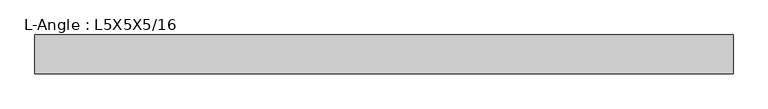
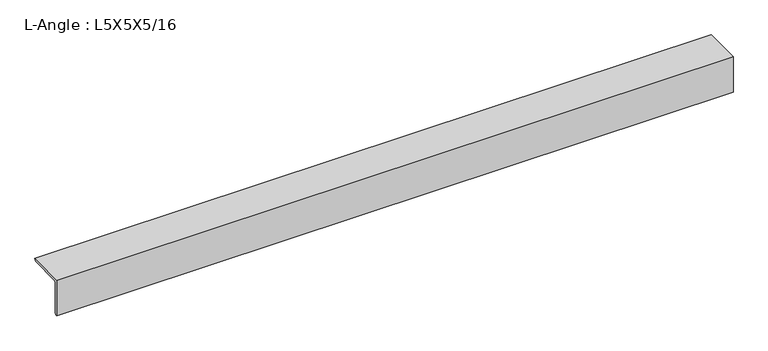
"""IFC4 building model written with IfcOpenShell, lengths in millimetres: beam geometry, L-Angle : L5X5X5/16."""

from ifc_helpers import new_model, si_unit, point, frame, frame_2d, origin, place, context, project, spatial, polyline, circle_curve, trimmed, segment, composite_curve, outline, extrude, source, transform, mapped, element, save


def l_angle_l5x5x5_16_1f5bd21b(model_context):
    return source(origin(), model_context, "Body", "SweptSolid", [
        extrude(outline(composite_curve([segment(polyline([(-34.3296875, 34.3296875), (92.6703125, 34.3296875)]), True, "CONTINUOUS"), segment(trimmed(circle_curve(frame_2d((84.7328125, 34.3296875)), 7.9375), [point((92.6703125, 34.3296875))], [point((84.7328125, 26.3921875))], False, "CARTESIAN"), True, "CONTINUOUS"), segment(polyline([(84.7328125, 26.3921875), (-18.4546875, 26.3921875)]), True, "CONTINUOUS"), segment(trimmed(circle_curve(frame_2d((-18.4546875, 18.4546875)), 7.9375), [point((-18.4546875, 26.3921875))], [point((-26.3921875, 18.4546875))], True, "CARTESIAN"), True, "CONTINUOUS"), segment(polyline([(-26.3921875, 18.4546875), (-26.3921875, -84.7328125)]), True, "CONTINUOUS"), segment(trimmed(circle_curve(frame_2d((-34.3296875, -84.7328125)), 7.9375), [point((-26.3921875, -84.7328125))], [point((-34.3296875, -92.6703125))], False, "CARTESIAN"), True, "CONTINUOUS"), segment(polyline([(-34.3296875, -92.6703125), (-34.3296875, 34.3296875)]), True, "CONTINUOUS")], self_intersect=False)), frame((-1123.2058594, 0.0, 0.0), z_axis=(1.0, 0.0, 0.0), x_axis=(0.0, 1.0, 0.0)), (0.0, 0.0, 1.0), 2279.4019531),
    ])


if __name__ == "__main__":
    model = new_model("IFC4")
    model_context = context("Model", 3, world=origin())
    ifc_project = project(units=[si_unit("LENGTHUNIT", "METRE", prefix="MILLI")], contexts=[model_context])
    site = spatial("IfcSite", under=ifc_project)
    building = spatial("IfcBuilding", under=site)
    placement = place(None, origin())
    l_angle_l5x5x5_16_shape = l_angle_l5x5x5_16_1f5bd21b(model_context)
    element("IfcBeam", 1, ObjectType="L-Angle : L5X5X5/16", at=placement, inside=building, context=model_context, shape_type="MappedRepresentation", body=[
        mapped(l_angle_l5x5x5_16_shape, transform((0.0, 0.0, 0.0), x_axis=(1.0, 0.0, 0.0), y_axis=(0.0, 1.0, 0.0), z_axis=(0.0, 0.0, 1.0))),
    ])
    save(model, "model.ifc")
